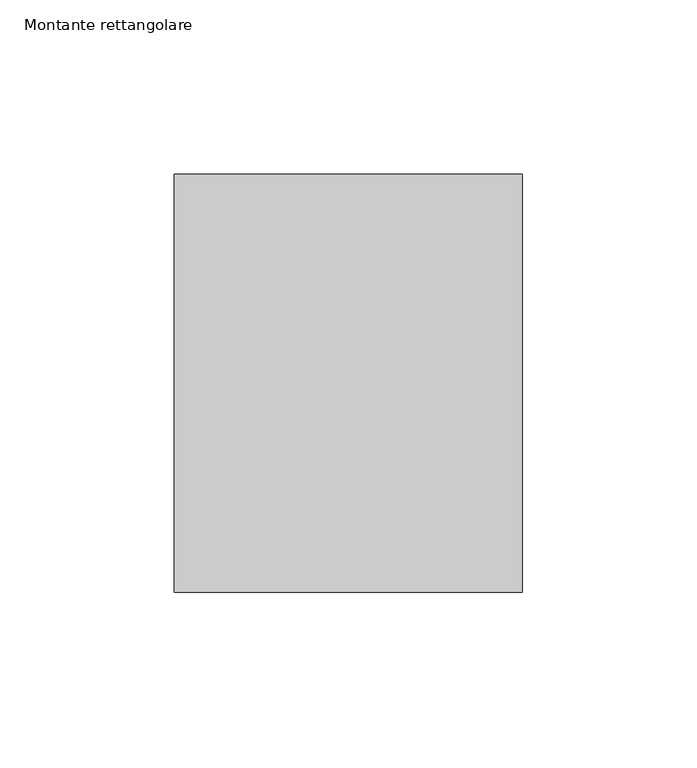
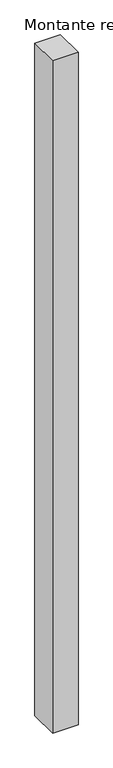
"""IFC4 building model written with IfcOpenShell, lengths in millimetres: member geometry, Montante rettangolare."""

import ifcopenshell
import ifcopenshell.guid

model = None  # the IFC model being written
_history = None  # IfcOwnerHistory: only IFC2X3 demands one
_inside = {}  # id of a spatial element -> (the spatial element, [elements in it])
_under = {}  # id of a project, library or spatial element -> (it, [spatial elements below it])
_declared = {}  # id of a project -> (the project, [libraries it declares])
_typed = {}  # id of a type object -> (the type object, [elements of that type])
_made_of = {}  # id of a material, layer set ... -> (it, [elements and type objects made of it])


def new_model(schema):
    """Start an empty IFC model of exactly this schema.

    Asked for "IFC4X3", IfcOpenShell would pick the latest addendum, in which some entities
    have other attributes; the version numbers below select the first issue.
    IFC2X3 requires an IfcOwnerHistory on every rooted entity: one is made here for all.
    """
    global model, _history
    if schema == "IFC4X3":
        model = ifcopenshell.file(schema_version=(4, 3, 0, 0))
    else:
        model = ifcopenshell.file(schema=schema)
    _inside.clear()
    _under.clear()
    _declared.clear()
    _typed.clear()
    _made_of.clear()
    _history = None
    if model.schema == "IFC2X3":
        org = make("IfcOrganization", Name="unknown")
        user = make(
            "IfcPersonAndOrganization",
            ThePerson=make("IfcPerson", FamilyName="unknown"),
            TheOrganization=org,
        )
        app = make(
            "IfcApplication",
            ApplicationDeveloper=org,
            Version="unknown",
            ApplicationFullName="unknown",
            ApplicationIdentifier="unknown",
        )
        _history = make(
            "IfcOwnerHistory",
            OwningUser=user,
            OwningApplication=app,
            ChangeAction="ADDED",
            CreationDate=0,
        )
    return model


def make(cls, **values):
    """One entity of the class cls with the attributes given. An attribute that is None is left unset."""
    return model.create_entity(
        cls, **{name: value for name, value in values.items() if value is not None}
    )


def rooted(cls, **values):
    """An entity with a GlobalId (a new one), such as an element, a storey or a relation."""
    return make(cls, GlobalId=ifcopenshell.guid.new(), OwnerHistory=_history, **values)


def si_unit(unit_type, name, prefix=None):
    """IfcSIUnit, for example si_unit("LENGTHUNIT", "METRE", prefix="MILLI")."""
    return make("IfcSIUnit", UnitType=unit_type, Prefix=prefix, Name=name)


def assignment(units):
    """IfcUnitAssignment: the units of a project."""
    return None if units is None else make("IfcUnitAssignment", Units=units)


def point(xyz):
    """IfcCartesianPoint."""
    return None if xyz is None else make("IfcCartesianPoint", Coordinates=xyz)


def direction(xyz):
    """IfcDirection."""
    return None if xyz is None else make("IfcDirection", DirectionRatios=xyz)


def frame(location, z_axis=None, x_axis=None):
    """IfcAxis2Placement3D, a coordinate frame: its origin and axes. An axis left out is left unset."""
    return make(
        "IfcAxis2Placement3D",
        Location=point(location),
        Axis=direction(z_axis),
        RefDirection=direction(x_axis),
    )


def origin():
    """The frame at (0, 0, 0) with its axes left unset."""
    return frame((0.0, 0.0, 0.0))


def place(relative_to, where):
    """IfcLocalPlacement: puts the frame where relative to a parent placement (None: the world)."""
    return make(
        "IfcLocalPlacement", PlacementRelTo=relative_to, RelativePlacement=where
    )


def context(
    kind, dimensions, precision=None, world=None, true_north=None, identifier=None
):
    """IfcGeometricRepresentationContext, for example the 3D "Model" context."""
    return make(
        "IfcGeometricRepresentationContext",
        ContextIdentifier=identifier,
        ContextType=kind,
        CoordinateSpaceDimension=dimensions,
        Precision=precision,
        WorldCoordinateSystem=world,
        TrueNorth=true_north,
    )


def project(units=None, contexts=None):
    """IfcProject with its units and contexts."""
    return rooted(
        "IfcProject",
        Name="project",
        RepresentationContexts=contexts,
        UnitsInContext=assignment(units),
    )


def spatial(cls, under=None, at=None, **own):
    """A site, building, storey or space (cls), placed at a placement, below another one or the project."""
    s = rooted(cls, ObjectPlacement=at, **own)
    if under is not None:
        _under.setdefault(under.id(), (under, []))[1].append(s)
    return s


def polyline(points):
    """IfcPolyline through the points."""
    return make("IfcPolyline", Points=[point(p) for p in points])


def outline(outer, holes=None, kind="AREA"):
    """IfcArbitraryClosedProfileDef: a profile drawn as a closed curve; with holes, ...WithVoids."""
    if holes is None:
        return make("IfcArbitraryClosedProfileDef", ProfileType=kind, OuterCurve=outer)
    return make(
        "IfcArbitraryProfileDefWithVoids",
        ProfileType=kind,
        OuterCurve=outer,
        InnerCurves=holes,
    )


def extrude(swept, where, along, depth):
    """IfcExtrudedAreaSolid: the profile swept, set in the frame where, extruded along a direction by depth."""
    return make(
        "IfcExtrudedAreaSolid",
        SweptArea=swept,
        Position=where,
        ExtrudedDirection=direction(along),
        Depth=depth,
    )


def shape(context_of_items, identifier, shape_type, items):
    """IfcShapeRepresentation: the items that make up one representation, for example the "Body"."""
    return make(
        "IfcShapeRepresentation",
        ContextOfItems=context_of_items,
        RepresentationIdentifier=identifier,
        RepresentationType=shape_type,
        Items=items,
    )


def source(mapping_origin, context_of_items, identifier, shape_type, items):
    """IfcRepresentationMap: a shape defined once, which mapped items show again and again."""
    return make(
        "IfcRepresentationMap",
        MappingOrigin=mapping_origin,
        MappedRepresentation=shape(context_of_items, identifier, shape_type, items),
    )


def transform(
    local_origin,
    x_axis=None,
    y_axis=None,
    z_axis=None,
    scale=None,
    scale2=None,
    scale3=None,
    uniform=True,
):
    """IfcCartesianTransformationOperator3D, or its non-uniform kind. x_axis, y_axis, z_axis: its Axis1, 2, 3."""
    if uniform:
        return make(
            "IfcCartesianTransformationOperator3D",
            Axis1=direction(x_axis),
            Axis2=direction(y_axis),
            LocalOrigin=point(local_origin),
            Scale=scale,
            Axis3=direction(z_axis),
        )
    return make(
        "IfcCartesianTransformationOperator3DnonUniform",
        Axis1=direction(x_axis),
        Axis2=direction(y_axis),
        LocalOrigin=point(local_origin),
        Scale=scale,
        Axis3=direction(z_axis),
        Scale2=scale2,
        Scale3=scale3,
    )


def mapped(mapping_source, mapping_target):
    """IfcMappedItem: shows the shape of a source again, moved by a transform."""
    return make(
        "IfcMappedItem", MappingSource=mapping_source, MappingTarget=mapping_target
    )


def made_of(thing, what):
    """Note that an element or type object is made of a material, layer set ...; save() writes the relation."""
    if what is not None:
        _made_of.setdefault(what.id(), (what, []))[1].append(thing)
    return thing


def element(
    cls,
    number,
    at=None,
    inside=None,
    cuts=None,
    type_object=None,
    material=None,
    context=None,
    identifier="Body",
    shape_type=None,
    held_by="IfcProductDefinitionShape",
    body=None,
    shapes=None,
    **own,
):
    """One element of the class cls, such as IfcWall. Its Tag is "e" and its number.

    at: its placement. inside: the storey or other place that contains it. cuts: it is an
    opening in that element (IfcRelVoidsElement). A single representation is given by context,
    identifier, shape_type and body (its items); several are given by shapes. held_by: the class
    of the entity that holds the representations. save() writes the other relations.
    """
    e = rooted(cls, Tag="e%d" % number, ObjectPlacement=at, **own)
    if body is not None:
        shapes = [shape(context, identifier, shape_type, body)]
    if shapes is not None:
        e.Representation = make(held_by, Representations=shapes)
    if inside is not None:
        _inside.setdefault(inside.id(), (inside, []))[1].append(e)
    if cuts is not None:
        rooted(
            "IfcRelVoidsElement", RelatingBuildingElement=cuts, RelatedOpeningElement=e
        )
    if type_object is not None:
        _typed.setdefault(type_object.id(), (type_object, []))[1].append(e)
    return made_of(e, material)


def aggregate(whole, parts):
    """IfcRelAggregates: a whole, such as a stair, and the parts it consists of."""
    return rooted("IfcRelAggregates", RelatingObject=whole, RelatedObjects=parts)


def save(model, path):
    """Write the relations noted so far, then the file.

    IfcRelAggregates (storeys below a building ...), IfcRelContainedInSpatialStructure (elements
    in a storey), IfcRelDefinesByType, IfcRelAssociatesMaterial and IfcRelDeclares: one each for
    every whole, place, type object, material and project.
    """
    for whole, parts in _under.values():
        aggregate(whole, parts)
    for where, things in _inside.values():
        rooted(
            "IfcRelContainedInSpatialStructure",
            RelatedElements=things,
            RelatingStructure=where,
        )
    for kind, things in _typed.values():
        rooted("IfcRelDefinesByType", RelatedObjects=things, RelatingType=kind)
    for what, things in _made_of.values():
        rooted("IfcRelAssociatesMaterial", RelatedObjects=things, RelatingMaterial=what)
    for by, libraries in _declared.values():
        rooted("IfcRelDeclares", RelatingContext=by, RelatedDefinitions=libraries)
    model.write(path)


def montante_rettangolare_95c460d2(model_context):
    return source(origin(), model_context, "Body", "SweptSolid", [
        extrude(outline(polyline([(0.0, 60.0), (0.0, -60.0), (-100.0, -60.0), (-100.0, 60.0), (0.0, 60.0)])), frame((0.0, 0.0, -2785.9218503), z_axis=(0.0, 0.0, 1.0), x_axis=(1.0, 0.0, 0.0)), (0.0, 0.0, 1.0), 2785.9218503),
    ])


if __name__ == "__main__":
    model = new_model("IFC4")
    model_context = context("Model", 3, world=origin())
    ifc_project = project(units=[si_unit("LENGTHUNIT", "METRE", prefix="MILLI")], contexts=[model_context])
    site = spatial("IfcSite", under=ifc_project)
    building = spatial("IfcBuilding", under=site)
    placement = place(None, origin())
    montante_rettangolare_shape = montante_rettangolare_95c460d2(model_context)
    element("IfcMember", 1, ObjectType="Montante rettangolare", at=placement, inside=building, context=model_context, shape_type="MappedRepresentation", body=[
        mapped(montante_rettangolare_shape, transform((0.0, 0.0, 0.0), x_axis=(1.0, 0.0, 0.0), y_axis=(0.0, 1.0, 0.0), z_axis=(0.0, 0.0, 1.0))),
    ])
    save(model, "model.ifc")
